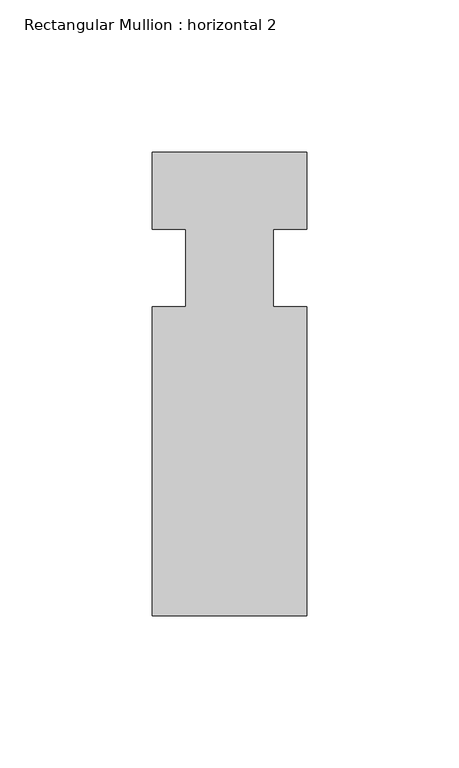
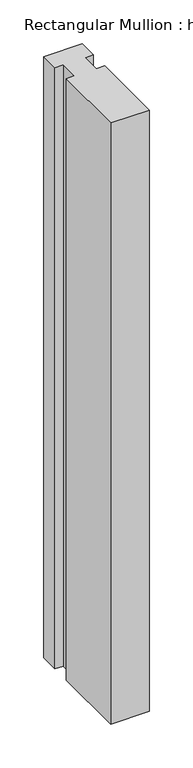
"""IFC4 building model written with IfcOpenShell, lengths in millimetres: member geometry, Rectangular Mullion : horizontal 2."""

import ifcopenshell
import ifcopenshell.guid

model = None  # the IFC model being written
_history = None  # IfcOwnerHistory: only IFC2X3 demands one
_inside = {}  # id of a spatial element -> (the spatial element, [elements in it])
_under = {}  # id of a project, library or spatial element -> (it, [spatial elements below it])
_declared = {}  # id of a project -> (the project, [libraries it declares])
_typed = {}  # id of a type object -> (the type object, [elements of that type])
_made_of = {}  # id of a material, layer set ... -> (it, [elements and type objects made of it])


def new_model(schema):
    """Start an empty IFC model of exactly this schema.

    Asked for "IFC4X3", IfcOpenShell would pick the latest addendum, in which some entities
    have other attributes; the version numbers below select the first issue.
    IFC2X3 requires an IfcOwnerHistory on every rooted entity: one is made here for all.
    """
    global model, _history
    if schema == "IFC4X3":
        model = ifcopenshell.file(schema_version=(4, 3, 0, 0))
    else:
        model = ifcopenshell.file(schema=schema)
    _inside.clear()
    _under.clear()
    _declared.clear()
    _typed.clear()
    _made_of.clear()
    _history = None
    if model.schema == "IFC2X3":
        org = make("IfcOrganization", Name="unknown")
        user = make(
            "IfcPersonAndOrganization",
            ThePerson=make("IfcPerson", FamilyName="unknown"),
            TheOrganization=org,
        )
        app = make(
            "IfcApplication",
            ApplicationDeveloper=org,
            Version="unknown",
            ApplicationFullName="unknown",
            ApplicationIdentifier="unknown",
        )
        _history = make(
            "IfcOwnerHistory",
            OwningUser=user,
            OwningApplication=app,
            ChangeAction="ADDED",
            CreationDate=0,
        )
    return model


def make(cls, **values):
    """One entity of the class cls with the attributes given. An attribute that is None is left unset."""
    return model.create_entity(
        cls, **{name: value for name, value in values.items() if value is not None}
    )


def rooted(cls, **values):
    """An entity with a GlobalId (a new one), such as an element, a storey or a relation."""
    return make(cls, GlobalId=ifcopenshell.guid.new(), OwnerHistory=_history, **values)


def si_unit(unit_type, name, prefix=None):
    """IfcSIUnit, for example si_unit("LENGTHUNIT", "METRE", prefix="MILLI")."""
    return make("IfcSIUnit", UnitType=unit_type, Prefix=prefix, Name=name)


def assignment(units):
    """IfcUnitAssignment: the units of a project."""
    return None if units is None else make("IfcUnitAssignment", Units=units)


def point(xyz):
    """IfcCartesianPoint."""
    return None if xyz is None else make("IfcCartesianPoint", Coordinates=xyz)


def direction(xyz):
    """IfcDirection."""
    return None if xyz is None else make("IfcDirection", DirectionRatios=xyz)


def frame(location, z_axis=None, x_axis=None):
    """IfcAxis2Placement3D, a coordinate frame: its origin and axes. An axis left out is left unset."""
    return make(
        "IfcAxis2Placement3D",
        Location=point(location),
        Axis=direction(z_axis),
        RefDirection=direction(x_axis),
    )


def origin():
    """The frame at (0, 0, 0) with its axes left unset."""
    return frame((0.0, 0.0, 0.0))


def place(relative_to, where):
    """IfcLocalPlacement: puts the frame where relative to a parent placement (None: the world)."""
    return make(
        "IfcLocalPlacement", PlacementRelTo=relative_to, RelativePlacement=where
    )


def context(
    kind, dimensions, precision=None, world=None, true_north=None, identifier=None
):
    """IfcGeometricRepresentationContext, for example the 3D "Model" context."""
    return make(
        "IfcGeometricRepresentationContext",
        ContextIdentifier=identifier,
        ContextType=kind,
        CoordinateSpaceDimension=dimensions,
        Precision=precision,
        WorldCoordinateSystem=world,
        TrueNorth=true_north,
    )


def project(units=None, contexts=None):
    """IfcProject with its units and contexts."""
    return rooted(
        "IfcProject",
        Name="project",
        RepresentationContexts=contexts,
        UnitsInContext=assignment(units),
    )


def spatial(cls, under=None, at=None, **own):
    """A site, building, storey or space (cls), placed at a placement, below another one or the project."""
    s = rooted(cls, ObjectPlacement=at, **own)
    if under is not None:
        _under.setdefault(under.id(), (under, []))[1].append(s)
    return s


def polyline(points):
    """IfcPolyline through the points."""
    return make("IfcPolyline", Points=[point(p) for p in points])


def outline(outer, holes=None, kind="AREA"):
    """IfcArbitraryClosedProfileDef: a profile drawn as a closed curve; with holes, ...WithVoids."""
    if holes is None:
        return make("IfcArbitraryClosedProfileDef", ProfileType=kind, OuterCurve=outer)
    return make(
        "IfcArbitraryProfileDefWithVoids",
        ProfileType=kind,
        OuterCurve=outer,
        InnerCurves=holes,
    )


def extrude(swept, where, along, depth):
    """IfcExtrudedAreaSolid: the profile swept, set in the frame where, extruded along a direction by depth."""
    return make(
        "IfcExtrudedAreaSolid",
        SweptArea=swept,
        Position=where,
        ExtrudedDirection=direction(along),
        Depth=depth,
    )


def shape(context_of_items, identifier, shape_type, items):
    """IfcShapeRepresentation: the items that make up one representation, for example the "Body"."""
    return make(
        "IfcShapeRepresentation",
        ContextOfItems=context_of_items,
        RepresentationIdentifier=identifier,
        RepresentationType=shape_type,
        Items=items,
    )


def source(mapping_origin, context_of_items, identifier, shape_type, items):
    """IfcRepresentationMap: a shape defined once, which mapped items show again and again."""
    return make(
        "IfcRepresentationMap",
        MappingOrigin=mapping_origin,
        MappedRepresentation=shape(context_of_items, identifier, shape_type, items),
    )


def transform(
    local_origin,
    x_axis=None,
    y_axis=None,
    z_axis=None,
    scale=None,
    scale2=None,
    scale3=None,
    uniform=True,
):
    """IfcCartesianTransformationOperator3D, or its non-uniform kind. x_axis, y_axis, z_axis: its Axis1, 2, 3."""
    if uniform:
        return make(
            "IfcCartesianTransformationOperator3D",
            Axis1=direction(x_axis),
            Axis2=direction(y_axis),
            LocalOrigin=point(local_origin),
            Scale=scale,
            Axis3=direction(z_axis),
        )
    return make(
        "IfcCartesianTransformationOperator3DnonUniform",
        Axis1=direction(x_axis),
        Axis2=direction(y_axis),
        LocalOrigin=point(local_origin),
        Scale=scale,
        Axis3=direction(z_axis),
        Scale2=scale2,
        Scale3=scale3,
    )


def mapped(mapping_source, mapping_target):
    """IfcMappedItem: shows the shape of a source again, moved by a transform."""
    return make(
        "IfcMappedItem", MappingSource=mapping_source, MappingTarget=mapping_target
    )


def made_of(thing, what):
    """Note that an element or type object is made of a material, layer set ...; save() writes the relation."""
    if what is not None:
        _made_of.setdefault(what.id(), (what, []))[1].append(thing)
    return thing


def element(
    cls,
    number,
    at=None,
    inside=None,
    cuts=None,
    type_object=None,
    material=None,
    context=None,
    identifier="Body",
    shape_type=None,
    held_by="IfcProductDefinitionShape",
    body=None,
    shapes=None,
    **own,
):
    """One element of the class cls, such as IfcWall. Its Tag is "e" and its number.

    at: its placement. inside: the storey or other place that contains it. cuts: it is an
    opening in that element (IfcRelVoidsElement). A single representation is given by context,
    identifier, shape_type and body (its items); several are given by shapes. held_by: the class
    of the entity that holds the representations. save() writes the other relations.
    """
    e = rooted(cls, Tag="e%d" % number, ObjectPlacement=at, **own)
    if body is not None:
        shapes = [shape(context, identifier, shape_type, body)]
    if shapes is not None:
        e.Representation = make(held_by, Representations=shapes)
    if inside is not None:
        _inside.setdefault(inside.id(), (inside, []))[1].append(e)
    if cuts is not None:
        rooted(
            "IfcRelVoidsElement", RelatingBuildingElement=cuts, RelatedOpeningElement=e
        )
    if type_object is not None:
        _typed.setdefault(type_object.id(), (type_object, []))[1].append(e)
    return made_of(e, material)


def aggregate(whole, parts):
    """IfcRelAggregates: a whole, such as a stair, and the parts it consists of."""
    return rooted("IfcRelAggregates", RelatingObject=whole, RelatedObjects=parts)


def save(model, path):
    """Write the relations noted so far, then the file.

    IfcRelAggregates (storeys below a building ...), IfcRelContainedInSpatialStructure (elements
    in a storey), IfcRelDefinesByType, IfcRelAssociatesMaterial and IfcRelDeclares: one each for
    every whole, place, type object, material and project.
    """
    for whole, parts in _under.values():
        aggregate(whole, parts)
    for where, things in _inside.values():
        rooted(
            "IfcRelContainedInSpatialStructure",
            RelatedElements=things,
            RelatingStructure=where,
        )
    for kind, things in _typed.values():
        rooted("IfcRelDefinesByType", RelatedObjects=things, RelatingType=kind)
    for what, things in _made_of.values():
        rooted("IfcRelAssociatesMaterial", RelatedObjects=things, RelatingMaterial=what)
    for by, libraries in _declared.values():
        rooted("IfcRelDeclares", RelatingContext=by, RelatedDefinitions=libraries)
    model.write(path)


def rectangular_mullion_horizontal_2_d10f98d4(model_context):
    return source(origin(), model_context, "Body", "SweptSolid", [
        extrude(outline(polyline([(-25.4, 6.35), (25.4, 6.35), (25.4, -19.05), (14.398625, -19.05), (14.398625, -44.45), (25.4, -44.45), (25.4, -146.05), (-25.4, -146.05), (-25.4, -44.45), (-14.398625, -44.45), (-14.398625, -19.05), (-25.4, -19.05), (-25.4, 6.35)])), frame((0.0, 0.0, -838.2), z_axis=(0.0, 0.0, 1.0), x_axis=(1.0, 0.0, 0.0)), (0.0, 0.0, 1.0), 838.2),
    ])


if __name__ == "__main__":
    model = new_model("IFC4")
    model_context = context("Model", 3, world=origin())
    ifc_project = project(units=[si_unit("LENGTHUNIT", "METRE", prefix="MILLI")], contexts=[model_context])
    site = spatial("IfcSite", under=ifc_project)
    building = spatial("IfcBuilding", under=site)
    placement = place(None, origin())
    rectangular_mullion_horizontal_2_shape = rectangular_mullion_horizontal_2_d10f98d4(model_context)
    element("IfcMember", 1, ObjectType="Rectangular Mullion : horizontal 2", at=placement, inside=building, context=model_context, shape_type="MappedRepresentation", body=[
        mapped(rectangular_mullion_horizontal_2_shape, transform((0.0, 0.0, 0.0), x_axis=(1.0, 0.0, 0.0), y_axis=(0.0, 1.0, 0.0), z_axis=(0.0, 0.0, 1.0))),
    ])
    save(model, "model.ifc")
